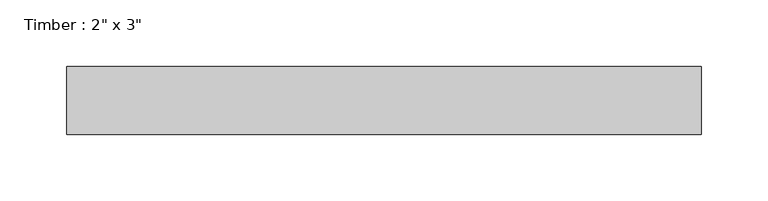
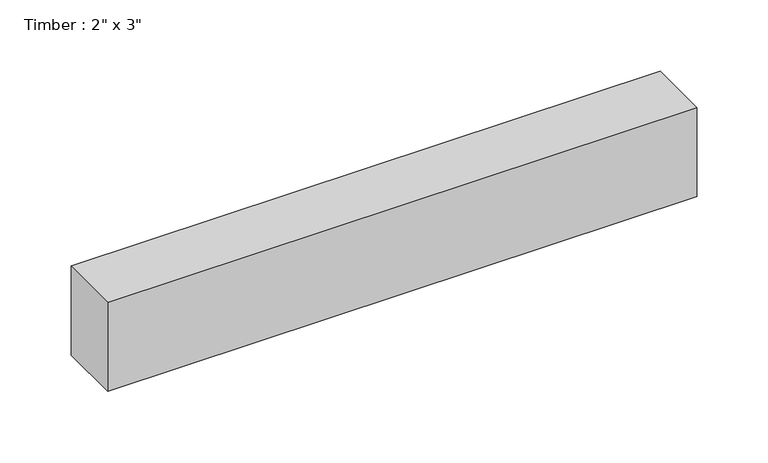
"""IFC4 building model written with IfcOpenShell, lengths in millimetres: beam geometry."""

import ifcopenshell
import ifcopenshell.guid

model = None  # the IFC model being written
_history = None  # IfcOwnerHistory: only IFC2X3 demands one
_inside = {}  # id of a spatial element -> (the spatial element, [elements in it])
_under = {}  # id of a project, library or spatial element -> (it, [spatial elements below it])
_declared = {}  # id of a project -> (the project, [libraries it declares])
_typed = {}  # id of a type object -> (the type object, [elements of that type])
_made_of = {}  # id of a material, layer set ... -> (it, [elements and type objects made of it])


def new_model(schema):
    """Start an empty IFC model of exactly this schema.

    Asked for "IFC4X3", IfcOpenShell would pick the latest addendum, in which some entities
    have other attributes; the version numbers below select the first issue.
    IFC2X3 requires an IfcOwnerHistory on every rooted entity: one is made here for all.
    """
    global model, _history
    if schema == "IFC4X3":
        model = ifcopenshell.file(schema_version=(4, 3, 0, 0))
    else:
        model = ifcopenshell.file(schema=schema)
    _inside.clear()
    _under.clear()
    _declared.clear()
    _typed.clear()
    _made_of.clear()
    _history = None
    if model.schema == "IFC2X3":
        org = make("IfcOrganization", Name="unknown")
        user = make(
            "IfcPersonAndOrganization",
            ThePerson=make("IfcPerson", FamilyName="unknown"),
            TheOrganization=org,
        )
        app = make(
            "IfcApplication",
            ApplicationDeveloper=org,
            Version="unknown",
            ApplicationFullName="unknown",
            ApplicationIdentifier="unknown",
        )
        _history = make(
            "IfcOwnerHistory",
            OwningUser=user,
            OwningApplication=app,
            ChangeAction="ADDED",
            CreationDate=0,
        )
    return model


def make(cls, **values):
    """One entity of the class cls with the attributes given. An attribute that is None is left unset."""
    return model.create_entity(
        cls, **{name: value for name, value in values.items() if value is not None}
    )


def rooted(cls, **values):
    """An entity with a GlobalId (a new one), such as an element, a storey or a relation."""
    return make(cls, GlobalId=ifcopenshell.guid.new(), OwnerHistory=_history, **values)


def si_unit(unit_type, name, prefix=None):
    """IfcSIUnit, for example si_unit("LENGTHUNIT", "METRE", prefix="MILLI")."""
    return make("IfcSIUnit", UnitType=unit_type, Prefix=prefix, Name=name)


def assignment(units):
    """IfcUnitAssignment: the units of a project."""
    return None if units is None else make("IfcUnitAssignment", Units=units)


def point(xyz):
    """IfcCartesianPoint."""
    return None if xyz is None else make("IfcCartesianPoint", Coordinates=xyz)


def direction(xyz):
    """IfcDirection."""
    return None if xyz is None else make("IfcDirection", DirectionRatios=xyz)


def frame(location, z_axis=None, x_axis=None):
    """IfcAxis2Placement3D, a coordinate frame: its origin and axes. An axis left out is left unset."""
    return make(
        "IfcAxis2Placement3D",
        Location=point(location),
        Axis=direction(z_axis),
        RefDirection=direction(x_axis),
    )


def origin():
    """The frame at (0, 0, 0) with its axes left unset."""
    return frame((0.0, 0.0, 0.0))


def place(relative_to, where):
    """IfcLocalPlacement: puts the frame where relative to a parent placement (None: the world)."""
    return make(
        "IfcLocalPlacement", PlacementRelTo=relative_to, RelativePlacement=where
    )


def context(
    kind, dimensions, precision=None, world=None, true_north=None, identifier=None
):
    """IfcGeometricRepresentationContext, for example the 3D "Model" context."""
    return make(
        "IfcGeometricRepresentationContext",
        ContextIdentifier=identifier,
        ContextType=kind,
        CoordinateSpaceDimension=dimensions,
        Precision=precision,
        WorldCoordinateSystem=world,
        TrueNorth=true_north,
    )


def project(units=None, contexts=None):
    """IfcProject with its units and contexts."""
    return rooted(
        "IfcProject",
        Name="project",
        RepresentationContexts=contexts,
        UnitsInContext=assignment(units),
    )


def spatial(cls, under=None, at=None, **own):
    """A site, building, storey or space (cls), placed at a placement, below another one or the project."""
    s = rooted(cls, ObjectPlacement=at, **own)
    if under is not None:
        _under.setdefault(under.id(), (under, []))[1].append(s)
    return s


def polyline(points):
    """IfcPolyline through the points."""
    return make("IfcPolyline", Points=[point(p) for p in points])


def outline(outer, holes=None, kind="AREA"):
    """IfcArbitraryClosedProfileDef: a profile drawn as a closed curve; with holes, ...WithVoids."""
    if holes is None:
        return make("IfcArbitraryClosedProfileDef", ProfileType=kind, OuterCurve=outer)
    return make(
        "IfcArbitraryProfileDefWithVoids",
        ProfileType=kind,
        OuterCurve=outer,
        InnerCurves=holes,
    )


def extrude(swept, where, along, depth):
    """IfcExtrudedAreaSolid: the profile swept, set in the frame where, extruded along a direction by depth."""
    return make(
        "IfcExtrudedAreaSolid",
        SweptArea=swept,
        Position=where,
        ExtrudedDirection=direction(along),
        Depth=depth,
    )


def shape(context_of_items, identifier, shape_type, items):
    """IfcShapeRepresentation: the items that make up one representation, for example the "Body"."""
    return make(
        "IfcShapeRepresentation",
        ContextOfItems=context_of_items,
        RepresentationIdentifier=identifier,
        RepresentationType=shape_type,
        Items=items,
    )


def source(mapping_origin, context_of_items, identifier, shape_type, items):
    """IfcRepresentationMap: a shape defined once, which mapped items show again and again."""
    return make(
        "IfcRepresentationMap",
        MappingOrigin=mapping_origin,
        MappedRepresentation=shape(context_of_items, identifier, shape_type, items),
    )


def transform(
    local_origin,
    x_axis=None,
    y_axis=None,
    z_axis=None,
    scale=None,
    scale2=None,
    scale3=None,
    uniform=True,
):
    """IfcCartesianTransformationOperator3D, or its non-uniform kind. x_axis, y_axis, z_axis: its Axis1, 2, 3."""
    if uniform:
        return make(
            "IfcCartesianTransformationOperator3D",
            Axis1=direction(x_axis),
            Axis2=direction(y_axis),
            LocalOrigin=point(local_origin),
            Scale=scale,
            Axis3=direction(z_axis),
        )
    return make(
        "IfcCartesianTransformationOperator3DnonUniform",
        Axis1=direction(x_axis),
        Axis2=direction(y_axis),
        LocalOrigin=point(local_origin),
        Scale=scale,
        Axis3=direction(z_axis),
        Scale2=scale2,
        Scale3=scale3,
    )


def mapped(mapping_source, mapping_target):
    """IfcMappedItem: shows the shape of a source again, moved by a transform."""
    return make(
        "IfcMappedItem", MappingSource=mapping_source, MappingTarget=mapping_target
    )


def made_of(thing, what):
    """Note that an element or type object is made of a material, layer set ...; save() writes the relation."""
    if what is not None:
        _made_of.setdefault(what.id(), (what, []))[1].append(thing)
    return thing


def element(
    cls,
    number,
    at=None,
    inside=None,
    cuts=None,
    type_object=None,
    material=None,
    context=None,
    identifier="Body",
    shape_type=None,
    held_by="IfcProductDefinitionShape",
    body=None,
    shapes=None,
    **own,
):
    """One element of the class cls, such as IfcWall. Its Tag is "e" and its number.

    at: its placement. inside: the storey or other place that contains it. cuts: it is an
    opening in that element (IfcRelVoidsElement). A single representation is given by context,
    identifier, shape_type and body (its items); several are given by shapes. held_by: the class
    of the entity that holds the representations. save() writes the other relations.
    """
    e = rooted(cls, Tag="e%d" % number, ObjectPlacement=at, **own)
    if body is not None:
        shapes = [shape(context, identifier, shape_type, body)]
    if shapes is not None:
        e.Representation = make(held_by, Representations=shapes)
    if inside is not None:
        _inside.setdefault(inside.id(), (inside, []))[1].append(e)
    if cuts is not None:
        rooted(
            "IfcRelVoidsElement", RelatingBuildingElement=cuts, RelatedOpeningElement=e
        )
    if type_object is not None:
        _typed.setdefault(type_object.id(), (type_object, []))[1].append(e)
    return made_of(e, material)


def aggregate(whole, parts):
    """IfcRelAggregates: a whole, such as a stair, and the parts it consists of."""
    return rooted("IfcRelAggregates", RelatingObject=whole, RelatedObjects=parts)


def save(model, path):
    """Write the relations noted so far, then the file.

    IfcRelAggregates (storeys below a building ...), IfcRelContainedInSpatialStructure (elements
    in a storey), IfcRelDefinesByType, IfcRelAssociatesMaterial and IfcRelDeclares: one each for
    every whole, place, type object, material and project.
    """
    for whole, parts in _under.values():
        aggregate(whole, parts)
    for where, things in _inside.values():
        rooted(
            "IfcRelContainedInSpatialStructure",
            RelatedElements=things,
            RelatingStructure=where,
        )
    for kind, things in _typed.values():
        rooted("IfcRelDefinesByType", RelatedObjects=things, RelatingType=kind)
    for what, things in _made_of.values():
        rooted("IfcRelAssociatesMaterial", RelatedObjects=things, RelatingMaterial=what)
    for by, libraries in _declared.values():
        rooted("IfcRelDeclares", RelatingContext=by, RelatedDefinitions=libraries)
    model.write(path)


def beam_59f3aa5e(model_context):
    return source(origin(), model_context, "Body", "SweptSolid", [
        extrude(outline(polyline([(237.7536535, -25.4), (-237.7536535, -25.4), (-237.7536535, 25.4), (237.7536535, 25.4), (237.7536535, -25.4)])), frame((0.0, 0.0, -38.1), z_axis=(0.0, 0.0, 1.0), x_axis=(1.0, 0.0, 0.0)), (0.0, 0.0, 1.0), 76.2),
    ])


if __name__ == "__main__":
    model = new_model("IFC4")
    model_context = context("Model", 3, world=origin())
    ifc_project = project(units=[si_unit("LENGTHUNIT", "METRE", prefix="MILLI")], contexts=[model_context])
    site = spatial("IfcSite", under=ifc_project)
    building = spatial("IfcBuilding", under=site)
    placement = place(None, origin())
    beam_shape = beam_59f3aa5e(model_context)
    element("IfcBeam", 1, ObjectType="Timber : 2\" x 3\"", at=placement, inside=building, context=model_context, shape_type="MappedRepresentation", body=[
        mapped(beam_shape, transform((0.0, 0.0, 0.0), x_axis=(1.0, 0.0, 0.0), y_axis=(0.0, 1.0, 0.0), z_axis=(0.0, 0.0, 1.0))),
    ])
    save(model, "model.ifc")
